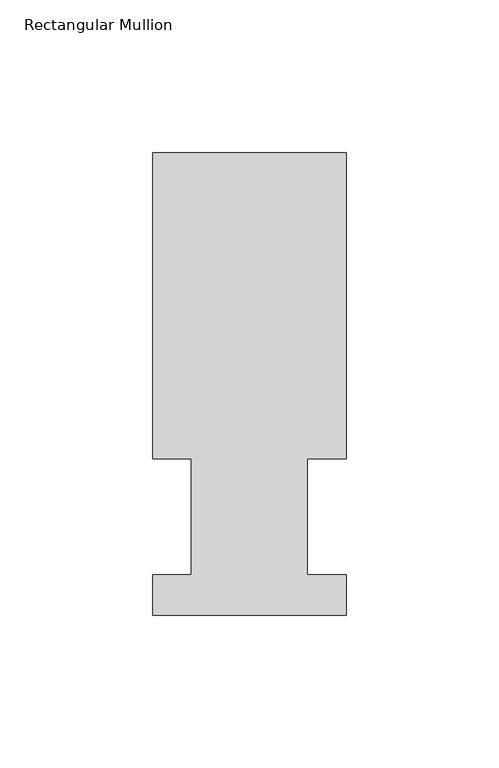
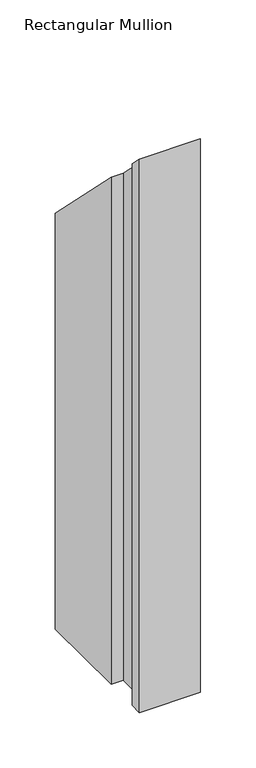
"""IFC4 building model written with IfcOpenShell, lengths in millimetres: member geometry, Rectangular Mullion."""

from ifc_helpers import new_model, si_unit, origin, place, context, project, spatial, faceted_brep, source, transform, mapped, element, save


def rectangular_mullion_468c1728(model_context):
    return source(origin(), model_context, "Body", "Brep", [
        faceted_brep([(0.0, 13.1960937, -609.56825), (0.0, 0.0134937, -609.56825), (-63.5000001, 0.0134937, -609.56825), (-63.5000001, 13.1960937, -609.56825), (-50.8000001, 13.1960937, -609.56825), (-50.8000001, 51.2960937, -609.56825), (-63.5, 51.2960937, -609.56825), (-63.5, 151.7022937, -609.56825), (0.0, 151.7022938, -609.56825), (0.0, 51.2960937, -609.56825), (-12.6873001, 51.2960937, -609.56825), (-12.6873001, 13.1960937, -609.56825), (-12.6873001, 13.1960937, -13.1960937), (0.0, 13.1960937, -13.1960937), (-12.6873001, 51.2960937, -51.2960937), (0.0, 51.2960937, -51.2960937), (0.0, 151.7022938, -151.7022937), (-63.5, 151.7022938, -151.7022937), (-63.5, 51.2960937, -51.2960937), (-50.8000001, 51.2960937, -51.2960937), (-50.8000001, 13.1960937, -13.1960937), (-63.5000001, 13.1960937, -13.1960937), (-63.5000001, 0.0134937, -0.0134937), (0.0, 0.0134937, -0.0134937)], [[[0, 1, 2, 3, 4, 5, 6, 7, 8, 9, 10, 11]], [[12, 13, 0, 11]], [[14, 12, 11, 10]], [[15, 14, 10, 9]], [[16, 15, 9, 8]], [[17, 16, 8, 7]], [[18, 17, 7, 6]], [[19, 18, 6, 5]], [[20, 19, 5, 4]], [[21, 20, 4, 3]], [[22, 21, 3, 2]], [[23, 22, 2, 1]], [[13, 23, 1, 0]], [[13, 12, 14, 15, 16, 17, 18, 19, 20, 21, 22, 23]]]),
    ])


if __name__ == "__main__":
    model = new_model("IFC4")
    model_context = context("Model", 3, world=origin())
    ifc_project = project(units=[si_unit("LENGTHUNIT", "METRE", prefix="MILLI")], contexts=[model_context])
    site = spatial("IfcSite", under=ifc_project)
    building = spatial("IfcBuilding", under=site)
    placement = place(None, origin())
    rectangular_mullion_shape = rectangular_mullion_468c1728(model_context)
    element("IfcMember", 1, ObjectType="Rectangular Mullion", at=placement, inside=building, context=model_context, shape_type="MappedRepresentation", body=[
        mapped(rectangular_mullion_shape, transform((0.0, 0.0, 0.0), x_axis=(1.0, 0.0, 0.0), y_axis=(0.0, 1.0, 0.0), z_axis=(0.0, 0.0, 1.0))),
    ])
    save(model, "model.ifc")
